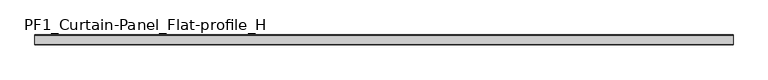
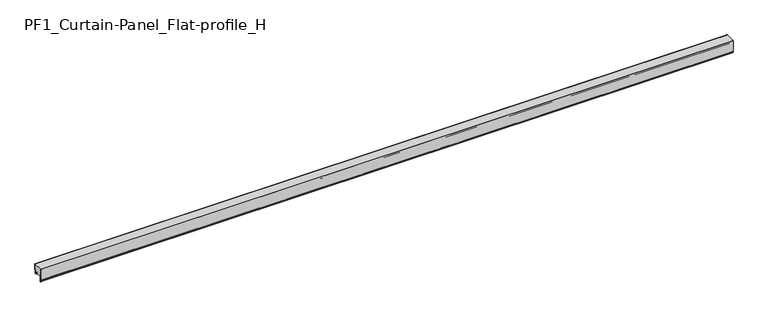
"""IFC4 building model written with IfcOpenShell, lengths in millimetres: plate geometry, PF1_Curtain-Panel_Flat-profile_H."""

from ifc_helpers import new_model, si_unit, point, frame, frame_2d, origin, place, context, project, spatial, polyline, circle_curve, trimmed, segment, composite_curve, outline, extrude, source, transform, mapped, element, save


def pf1_curtain_panel_flat_profile_h_207f7fd0(model_context):
    return source(origin(), model_context, "Body", "SweptSolid", [
        extrude(outline(composite_curve([segment(polyline([(-15.878557, 0.0), (-20.0, 0.0), (-20.0, 0.8), (-15.878557, 0.8)]), True, "CONTINUOUS"), segment(trimmed(circle_curve(frame_2d((-15.878557, -2.0)), 2.8), [point((-15.878557, 0.8))], [point((-13.1503208, -1.370137))], False, "CARTESIAN"), True, "CONTINUOUS"), segment(polyline([(-13.1503208, -1.370137), (-11.728236, -7.529863)]), True, "CONTINUOUS"), segment(trimmed(circle_curve(frame_2d((-9.0, -6.9)), 2.8), [point((-11.728236, -7.529863))], [point((-6.2, -6.9))], True, "CARTESIAN"), True, "CONTINUOUS"), segment(polyline([(-6.2, -6.9), (-6.2, 8.6)]), True, "CONTINUOUS"), segment(trimmed(circle_curve(frame_2d((-3.4, 8.6)), 2.8), [point((-6.2, 8.6))], [point((-3.4, 11.4))], False, "CARTESIAN"), True, "CONTINUOUS"), segment(polyline([(-3.4, 11.4), (-2.0, 11.4)]), True, "CONTINUOUS"), segment(trimmed(circle_curve(frame_2d((-2.0, 12.6)), 1.2), [point((-2.0, 11.4))], [point((-0.8, 12.6))], True, "CARTESIAN"), True, "CONTINUOUS"), segment(polyline([(-0.8, 12.6), (-0.8, 47.0), (0.0, 47.0), (0.0, 12.6)]), True, "CONTINUOUS"), segment(trimmed(circle_curve(frame_2d((-2.0, 12.6)), 2.0), [point((0.0, 12.6))], [point((-2.0, 10.6))], False, "CARTESIAN"), True, "CONTINUOUS"), segment(polyline([(-2.0, 10.6), (-3.4, 10.6)]), True, "CONTINUOUS"), segment(trimmed(circle_curve(frame_2d((-3.4, 8.6)), 2.0), [point((-3.4, 10.6))], [point((-5.4, 8.6))], True, "CARTESIAN"), True, "CONTINUOUS"), segment(polyline([(-5.4, 8.6), (-5.4, -6.9)]), True, "CONTINUOUS"), segment(trimmed(circle_curve(frame_2d((-9.0, -6.9)), 3.6), [point((-5.4, -6.9))], [point((-12.5077322, -7.7098239))], False, "CARTESIAN"), True, "CONTINUOUS"), segment(polyline([(-12.5077322, -7.7098239), (-13.929817, -1.5500979)]), True, "CONTINUOUS"), segment(trimmed(circle_curve(frame_2d((-15.878557, -2.0)), 2.0), [point((-13.929817, -1.5500979))], [point((-15.878557, 0.0))], True, "CARTESIAN"), True, "CONTINUOUS")], self_intersect=False)), frame((-2100.0, 0.0, 0.0), z_axis=(1.0, 0.0, 0.0), x_axis=(0.0, 1.0, 0.0)), (0.0, 0.0, 1.0), 4200.0),
        extrude(outline(composite_curve([segment(polyline([(-50.0, 0.0), (-53.5, 0.0)]), True, "CONTINUOUS"), segment(trimmed(circle_curve(frame_2d((-53.5, -2.0)), 2.0), [point((-53.5, 0.0))], [point((-55.5, -2.0))], True, "CARTESIAN"), True, "CONTINUOUS"), segment(polyline([(-55.5, -2.0), (-55.5, -33.0)]), True, "CONTINUOUS"), segment(trimmed(circle_curve(frame_2d((-56.5, -33.0)), 1.0), [point((-55.5, -33.0))], [point((-57.5, -33.0))], False, "CARTESIAN"), True, "CONTINUOUS"), segment(polyline([(-57.5, -33.0), (-57.5, -26.9)]), True, "CONTINUOUS"), segment(trimmed(circle_curve(frame_2d((-58.4, -26.9)), 0.9), [point((-57.5, -26.9))], [point((-58.4, -26.0))], True, "CARTESIAN"), True, "CONTINUOUS"), segment(trimmed(circle_curve(frame_2d((-58.4, -24.4)), 1.6), [point((-58.4, -26.0))], [point((-60.0, -24.4))], False, "CARTESIAN"), True, "CONTINUOUS"), segment(polyline([(-60.0, -24.4), (-60.0, 47.0), (-59.2, 47.0), (-59.2, -24.4)]), True, "CONTINUOUS"), segment(trimmed(circle_curve(frame_2d((-58.4, -24.4)), 0.8), [point((-59.2, -24.4))], [point((-58.4, -25.2))], True, "CARTESIAN"), True, "CONTINUOUS"), segment(trimmed(circle_curve(frame_2d((-58.6133333, -26.9)), 1.7133333), [point((-58.4, -25.2))], [point((-56.9, -26.9))], False, "CARTESIAN"), True, "CONTINUOUS"), segment(polyline([(-56.9, -26.9), (-56.9, -32.8700312)]), True, "CONTINUOUS"), segment(trimmed(circle_curve(frame_2d((-56.6, -32.8700312)), 0.3), [point((-56.9, -32.8700312))], [point((-56.3, -32.8700312))], True, "CARTESIAN"), True, "CONTINUOUS"), segment(polyline([(-56.3, -32.8700312), (-56.3, -2.0)]), True, "CONTINUOUS"), segment(trimmed(circle_curve(frame_2d((-53.5, -2.0)), 2.8), [point((-56.3, -2.0))], [point((-53.5, 0.8))], False, "CARTESIAN"), True, "CONTINUOUS"), segment(polyline([(-53.5, 0.8), (-50.0, 0.8), (-50.0, 0.0)]), True, "CONTINUOUS")], self_intersect=False)), frame((-2100.0, 0.0, 0.0), z_axis=(1.0, 0.0, 0.0), x_axis=(0.0, 1.0, 0.0)), (0.0, 0.0, 1.0), 4200.0),
        extrude(outline(composite_curve([segment(polyline([(-50.0, 0.8), (-53.5, 0.8)]), True, "CONTINUOUS"), segment(trimmed(circle_curve(frame_2d((-53.5, -2.0)), 2.8), [point((-53.5, 0.8))], [point((-56.3, -2.0))], True, "CARTESIAN"), True, "CONTINUOUS"), segment(polyline([(-56.3, -2.0), (-56.3, -32.8700312)]), True, "CONTINUOUS"), segment(trimmed(circle_curve(frame_2d((-56.6, -32.8700312)), 0.3), [point((-56.3, -32.8700312))], [point((-56.9, -32.8700312))], False, "CARTESIAN"), True, "CONTINUOUS"), segment(polyline([(-56.9, -32.8700312), (-56.9, -26.9)]), True, "CONTINUOUS"), segment(trimmed(circle_curve(frame_2d((-58.6133333, -26.9)), 1.7133333), [point((-56.9, -26.9))], [point((-58.4, -25.2))], True, "CARTESIAN"), True, "CONTINUOUS"), segment(trimmed(circle_curve(frame_2d((-58.4, -24.4)), 0.8), [point((-58.4, -25.2))], [point((-59.2, -24.4))], False, "CARTESIAN"), True, "CONTINUOUS"), segment(polyline([(-59.2, -24.4), (-59.2, 47.0), (-0.8, 47.0), (-0.8, 12.6)]), True, "CONTINUOUS"), segment(trimmed(circle_curve(frame_2d((-2.0, 12.6)), 1.2), [point((-0.8, 12.6))], [point((-2.0, 11.4))], False, "CARTESIAN"), True, "CONTINUOUS"), segment(polyline([(-2.0, 11.4), (-3.4, 11.4)]), True, "CONTINUOUS"), segment(trimmed(circle_curve(frame_2d((-3.4, 8.6)), 2.8), [point((-3.4, 11.4))], [point((-6.2, 8.6))], True, "CARTESIAN"), True, "CONTINUOUS"), segment(polyline([(-6.2, 8.6), (-6.2, -6.9)]), True, "CONTINUOUS"), segment(trimmed(circle_curve(frame_2d((-9.0, -6.9)), 2.8), [point((-6.2, -6.9))], [point((-11.7282362, -7.529863))], False, "CARTESIAN"), True, "CONTINUOUS"), segment(polyline([(-11.7282362, -7.529863), (-13.1503208, -1.370137)]), True, "CONTINUOUS"), segment(trimmed(circle_curve(frame_2d((-15.878557, -2.0)), 2.8), [point((-13.1503208, -1.370137))], [point((-15.878557, 0.8))], True, "CARTESIAN"), True, "CONTINUOUS"), segment(polyline([(-15.878557, 0.8), (-20.0, 0.8), (-20.0, 0.0), (-50.0, 0.0), (-50.0, 0.8)]), True, "CONTINUOUS")], self_intersect=False)), frame((-2100.0, 0.0, 0.0), z_axis=(1.0, 0.0, 0.0), x_axis=(0.0, 1.0, 0.0)), (0.0, 0.0, 1.0), 4200.0),
    ])


if __name__ == "__main__":
    model = new_model("IFC4")
    model_context = context("Model", 3, world=origin())
    ifc_project = project(units=[si_unit("LENGTHUNIT", "METRE", prefix="MILLI")], contexts=[model_context])
    site = spatial("IfcSite", under=ifc_project)
    building = spatial("IfcBuilding", under=site)
    placement = place(None, origin())
    pf1_curtain_panel_flat_profile_h_shape = pf1_curtain_panel_flat_profile_h_207f7fd0(model_context)
    element("IfcPlate", 1, ObjectType="PF1_Curtain-Panel_Flat-profile_H", at=placement, inside=building, context=model_context, shape_type="MappedRepresentation", body=[
        mapped(pf1_curtain_panel_flat_profile_h_shape, transform((0.0, 0.0, 0.0), x_axis=(1.0, 0.0, 0.0), y_axis=(0.0, 1.0, 0.0), z_axis=(0.0, 0.0, 1.0))),
    ])
    save(model, "model.ifc")
